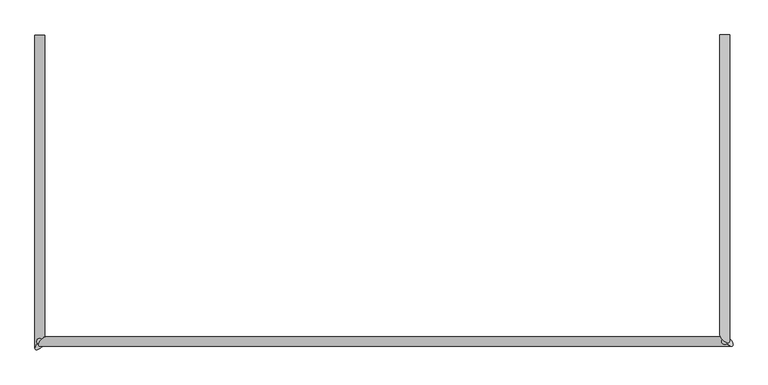
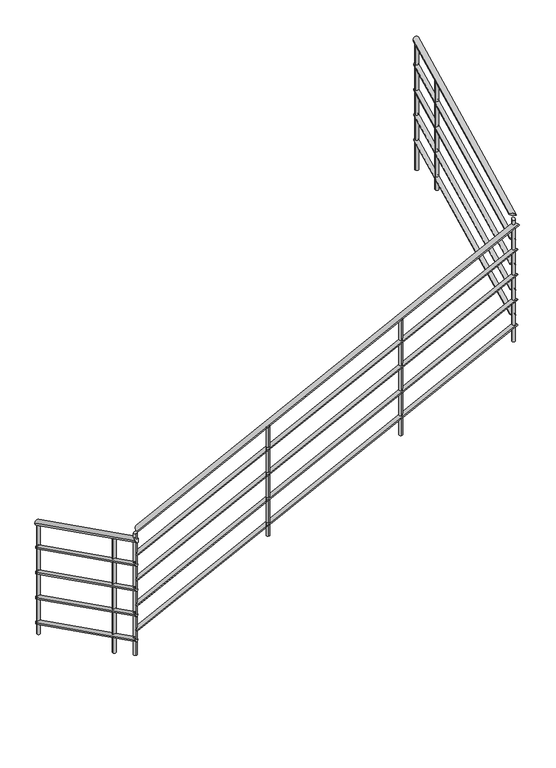
"""IFC4 building model written with IfcOpenShell, lengths in millimetres: railing geometry."""

from ifc_helpers import new_model, si_unit, frame, origin, place, context, project, spatial, circle_curve, ellipse_curve, source, transform, mapped, element, save
from ifc_brep_helpers import plane_surface, cylinder_surface, advanced_brep


def railing_a6b7f505(model_context):
    return source(origin(), model_context, "Body", "AdvancedBrep", [
        advanced_brep(
        [(-9230.7140335, -3789.9211093, -1972.3606798), (-9270.7140335, -3789.9211093, -1972.3606798), (-9230.7140335, -5066.4948959, -1334.0737865), (-9270.7140335, -5093.1615625, -1320.7404532)],
        [
            (0, 1, ellipse_curve(frame((-9250.7140335, -3789.9211093, -1972.3606798), z_axis=(0.0, 1.0, 0.0), x_axis=(0.0, 0.0, -1.0)), 22.3606798, 20.0)),
            (1, 0, ellipse_curve(frame((-9250.7140335, -3789.9211093, -1972.3606798), z_axis=(0.0, 1.0, 0.0), x_axis=(0.0, 0.0, -1.0)), 22.3606798, 20.0)),
            (2, 3, ellipse_curve(frame((-9250.7140335, -5079.8282292, -1327.4071198), z_axis=(0.5773502691896244, -0.5773502691896273, 0.5773502691896256), x_axis=(0.7071067811865491, 0.7071067811865458, 0.0)), 25.819889, 20.0)),
            (3, 2, ellipse_curve(frame((-9250.7140335, -5079.8282292, -1327.4071198), z_axis=(0.5773502691896244, -0.5773502691896273, 0.5773502691896256), x_axis=(0.7071067811865491, 0.7071067811865458, 0.0)), 25.819889, 20.0)),
            (0, 2),
            (3, 1),
        ],
        [
            plane_surface(frame((-9250.7140335, -3789.9211093, -1950.0), z_axis=(0.0, 1.0, 0.0), x_axis=(0.0, 0.0, -1.0))),
            plane_surface(frame((-9250.7140335, -5064.9211093, -1312.5), z_axis=(0.5773502691896244, -0.5773502691896273, 0.5773502691896256), x_axis=(0.816496580927727, 0.4082482904638627, -0.4082482904638615))),
            cylinder_surface(frame((-9250.7140335, -3798.8653813, -1967.8885438), z_axis=(0.0, 0.894427190999916, -0.447213595499958), x_axis=(-1.0, 0.0, 0.0)), 20.0),
        ],
        [
            (0, [[1, 2]]),
            (1, [[3, 4]]),
            (2, [[-1, 5, -4, 6]]),
            (2, [[-2, -6, -3, -5]]),
        ],
    ),
        advanced_brep(
        [(-9222.4735803, -5044.9211093, -1245.7404532), (-9249.140247, -5084.9211093, -1259.0737865), (-6399.140247, -5044.9211093, 165.9262135), (-6372.4735803, -5084.9211093, 179.2595468)],
        [
            (0, 1, ellipse_curve(frame((-9235.8069137, -5064.9211093, -1252.4071198), z_axis=(-0.5773502691896244, 0.5773502691896273, -0.5773502691896256), x_axis=(-0.7071067811865492, -0.7071067811865457, 0.0)), 25.819889, 20.0)),
            (1, 0, ellipse_curve(frame((-9235.8069137, -5064.9211093, -1252.4071198), z_axis=(-0.5773502691896244, 0.5773502691896273, -0.5773502691896256), x_axis=(-0.7071067811865492, -0.7071067811865457, 0.0)), 25.819889, 20.0)),
            (2, 3, ellipse_curve(frame((-6385.8069137, -5064.9211093, 172.5928802), z_axis=(0.577350269189627, 0.5773502691896242, 0.5773502691896263), x_axis=(-0.7071067811865458, 0.7071067811865493, 0.0)), 25.819889, 20.0)),
            (3, 2, ellipse_curve(frame((-6385.8069137, -5064.9211093, 172.5928802), z_axis=(0.577350269189627, 0.5773502691896242, 0.5773502691896263), x_axis=(-0.7071067811865458, 0.7071067811865493, 0.0)), 25.819889, 20.0)),
            (0, 2),
            (3, 1),
        ],
        [
            plane_surface(frame((-9250.7140335, -5064.9211093, -1237.5), z_axis=(-0.5773502691896244, 0.5773502691896273, -0.5773502691896256), x_axis=(0.816496580927727, 0.4082482904638627, -0.4082482904638615))),
            plane_surface(frame((-6400.7140335, -5064.9211093, 187.5), z_axis=(0.577350269189627, 0.5773502691896242, 0.5773502691896263), x_axis=(0.8164965809277253, -0.40824829046386313, -0.4082482904638646))),
            cylinder_surface(frame((-9241.7697616, -5064.9211093, -1255.3885438), z_axis=(-0.8944271909999159, 0.0, -0.4472135954999581), x_axis=(0.0, -1.0, 0.0)), 20.0),
        ],
        [
            (0, [[1, 2]]),
            (1, [[3, 4]]),
            (2, [[-1, 5, -4, 6]]),
            (2, [[-2, -6, -3, -5]]),
        ],
    ),
        advanced_brep(
        [(-6420.7140335, -5036.6806562, 254.2595468), (-6380.7140335, -5063.3473228, 240.9262135), (-6420.7140335, -3789.9211093, 877.6393202), (-6380.7140335, -3789.9211093, 877.6393202)],
        [
            (0, 1, ellipse_curve(frame((-6400.7140335, -5050.0139895, 247.5928801), z_axis=(-0.577350269189627, -0.5773502691896242, -0.5773502691896263), x_axis=(0.7071067811865461, -0.7071067811865491, 0.0)), 25.819889, 20.0)),
            (1, 0, ellipse_curve(frame((-6400.7140335, -5050.0139895, 247.5928801), z_axis=(-0.577350269189627, -0.5773502691896242, -0.5773502691896263), x_axis=(0.7071067811865461, -0.7071067811865491, 0.0)), 25.819889, 20.0)),
            (2, 3, ellipse_curve(frame((-6400.7140335, -3789.9211093, 877.6393202), z_axis=(0.0, 1.0, 0.0), x_axis=(0.0, 0.0, -1.0)), 22.3606798, 20.0)),
            (3, 2, ellipse_curve(frame((-6400.7140335, -3789.9211093, 877.6393202), z_axis=(0.0, 1.0, 0.0), x_axis=(0.0, 0.0, -1.0)), 22.3606798, 20.0)),
            (0, 2),
            (3, 1),
        ],
        [
            plane_surface(frame((-6400.7140335, -5064.9211093, 262.5), z_axis=(-0.577350269189627, -0.5773502691896242, -0.5773502691896263), x_axis=(0.8164965809277253, -0.40824829046386313, -0.4082482904638646))),
            plane_surface(frame((-6400.7140335, -3789.9211093, 900.0), z_axis=(0.0, 1.0, 0.0), x_axis=(0.0, 0.0, 1.0))),
            cylinder_surface(frame((-6400.7140335, -5055.9768374, 244.6114562), z_axis=(0.0, -0.8944271909999157, -0.44721359549995826), x_axis=(1.0, 0.0, 0.0)), 20.0),
        ],
        [
            (0, [[1, 2]]),
            (1, [[3, 4]]),
            (2, [[-1, 5, -4, 6]]),
            (2, [[-2, -6, -3, -5]]),
        ],
    ),
        advanced_brep(
        [(-9235.7140335, -3789.9211093, -2166.7705098), (-9265.7140335, -3789.9211093, -2166.7705098), (-9235.7140335, -5066.1014492, -1528.6803399), (-9265.7140335, -5086.1014492, -1518.6803399)],
        [
            (0, 1, ellipse_curve(frame((-9250.7140335, -3789.9211093, -2166.7705098), z_axis=(0.0, 1.0, 0.0), x_axis=(0.0, 0.0, -1.0)), 16.7705098, 15.0)),
            (1, 0, ellipse_curve(frame((-9250.7140335, -3789.9211093, -2166.7705098), z_axis=(0.0, 1.0, 0.0), x_axis=(0.0, 0.0, -1.0)), 16.7705098, 15.0)),
            (2, 3, ellipse_curve(frame((-9250.7140335, -5076.1014492, -1523.6803399), z_axis=(0.5773502691896244, -0.5773502691896273, 0.5773502691896256), x_axis=(0.7071067811865491, 0.7071067811865458, 0.0)), 19.3649167, 15.0)),
            (3, 2, ellipse_curve(frame((-9250.7140335, -5076.1014492, -1523.6803399), z_axis=(0.5773502691896244, -0.5773502691896273, 0.5773502691896256), x_axis=(0.7071067811865491, 0.7071067811865458, 0.0)), 19.3649167, 15.0)),
            (0, 2),
            (3, 1),
        ],
        [
            plane_surface(frame((-9250.7140335, -3789.9211093, -2150.0), z_axis=(0.0, 1.0, 0.0), x_axis=(0.0, 0.0, -1.0))),
            plane_surface(frame((-9250.7140335, -5064.9211093, -1512.5), z_axis=(0.5773502691896244, -0.5773502691896273, 0.5773502691896256), x_axis=(0.816496580927727, 0.4082482904638627, -0.4082482904638615))),
            cylinder_surface(frame((-9250.7140335, -3796.6293133, -2163.4164079), z_axis=(0.0, 0.894427190999916, -0.447213595499958), x_axis=(-1.0, 0.0, 0.0)), 15.0),
        ],
        [
            (0, [[1, 2]]),
            (1, [[3, 4]]),
            (2, [[-1, 5, -4, 6]]),
            (2, [[-2, -6, -3, -5]]),
        ],
    ),
        advanced_brep(
        [(-9229.5336936, -5049.9211093, -1443.6803399), (-9249.5336936, -5079.9211093, -1453.6803399), (-6399.5336936, -5049.9211093, -28.6803399), (-6379.5336936, -5079.9211093, -18.6803399)],
        [
            (0, 1, ellipse_curve(frame((-9239.5336936, -5064.9211093, -1448.6803399), z_axis=(-0.5773502691896244, 0.5773502691896273, -0.5773502691896256), x_axis=(-0.7071067811865492, -0.7071067811865457, 0.0)), 19.3649167, 15.0)),
            (1, 0, ellipse_curve(frame((-9239.5336936, -5064.9211093, -1448.6803399), z_axis=(-0.5773502691896244, 0.5773502691896273, -0.5773502691896256), x_axis=(-0.7071067811865492, -0.7071067811865457, 0.0)), 19.3649167, 15.0)),
            (2, 3, ellipse_curve(frame((-6389.5336936, -5064.9211093, -23.6803399), z_axis=(0.577350269189627, 0.5773502691896242, 0.5773502691896263), x_axis=(-0.7071067811865458, 0.7071067811865493, 0.0)), 19.3649167, 15.0)),
            (3, 2, ellipse_curve(frame((-6389.5336936, -5064.9211093, -23.6803399), z_axis=(0.577350269189627, 0.5773502691896242, 0.5773502691896263), x_axis=(-0.7071067811865458, 0.7071067811865493, 0.0)), 19.3649167, 15.0)),
            (0, 2),
            (3, 1),
        ],
        [
            plane_surface(frame((-9250.7140335, -5064.9211093, -1437.5), z_axis=(-0.5773502691896244, 0.5773502691896273, -0.5773502691896256), x_axis=(0.816496580927727, 0.4082482904638627, -0.4082482904638615))),
            plane_surface(frame((-6400.7140335, -5064.9211093, -12.5), z_axis=(0.577350269189627, 0.5773502691896242, 0.5773502691896263), x_axis=(0.8164965809277253, -0.40824829046386313, -0.4082482904638646))),
            cylinder_surface(frame((-9244.0058296, -5064.9211093, -1450.9164079), z_axis=(-0.8944271909999159, 0.0, -0.4472135954999581), x_axis=(0.0, -1.0, 0.0)), 15.0),
        ],
        [
            (0, [[1, 2]]),
            (1, [[3, 4]]),
            (2, [[-1, 5, -4, 6]]),
            (2, [[-2, -6, -3, -5]]),
        ],
    ),
        advanced_brep(
        [(-6415.7140335, -5043.7407695, 56.3196601), (-6385.7140335, -5063.7407695, 46.3196601), (-6415.7140335, -3789.9211093, 683.2294902), (-6385.7140335, -3789.9211093, 683.2294902)],
        [
            (0, 1, ellipse_curve(frame((-6400.7140335, -5053.7407695, 51.3196601), z_axis=(-0.577350269189627, -0.5773502691896242, -0.5773502691896263), x_axis=(0.7071067811865461, -0.7071067811865491, 0.0)), 19.3649167, 15.0)),
            (1, 0, ellipse_curve(frame((-6400.7140335, -5053.7407695, 51.3196601), z_axis=(-0.577350269189627, -0.5773502691896242, -0.5773502691896263), x_axis=(0.7071067811865461, -0.7071067811865491, 0.0)), 19.3649167, 15.0)),
            (2, 3, ellipse_curve(frame((-6400.7140335, -3789.9211093, 683.2294902), z_axis=(0.0, 1.0, 0.0), x_axis=(0.0, 0.0, -1.0)), 16.7705098, 15.0)),
            (3, 2, ellipse_curve(frame((-6400.7140335, -3789.9211093, 683.2294902), z_axis=(0.0, 1.0, 0.0), x_axis=(0.0, 0.0, -1.0)), 16.7705098, 15.0)),
            (0, 2),
            (3, 1),
        ],
        [
            plane_surface(frame((-6400.7140335, -5064.9211093, 62.5), z_axis=(-0.577350269189627, -0.5773502691896242, -0.5773502691896263), x_axis=(0.8164965809277253, -0.40824829046386313, -0.4082482904638646))),
            plane_surface(frame((-6400.7140335, -3789.9211093, 700.0), z_axis=(0.0, 1.0, 0.0), x_axis=(0.0, 0.0, 1.0))),
            cylinder_surface(frame((-6400.7140335, -5058.2129054, 49.0835921), z_axis=(0.0, -0.8944271909999157, -0.44721359549995826), x_axis=(1.0, 0.0, 0.0)), 15.0),
        ],
        [
            (0, [[1, 2]]),
            (1, [[3, 4]]),
            (2, [[-1, 5, -4, 6]]),
            (2, [[-2, -6, -3, -5]]),
        ],
    ),
        advanced_brep(
        [(-9235.7140335, -3789.9211093, -2366.7705098), (-9265.7140335, -3789.9211093, -2366.7705098), (-9235.7140335, -5066.1014492, -1728.6803399), (-9265.7140335, -5086.1014492, -1718.6803399)],
        [
            (0, 1, ellipse_curve(frame((-9250.7140335, -3789.9211093, -2366.7705098), z_axis=(0.0, 1.0, 0.0), x_axis=(0.0, 0.0, -1.0)), 16.7705098, 15.0)),
            (1, 0, ellipse_curve(frame((-9250.7140335, -3789.9211093, -2366.7705098), z_axis=(0.0, 1.0, 0.0), x_axis=(0.0, 0.0, -1.0)), 16.7705098, 15.0)),
            (2, 3, ellipse_curve(frame((-9250.7140335, -5076.1014492, -1723.6803399), z_axis=(0.5773502691896244, -0.5773502691896273, 0.5773502691896256), x_axis=(0.7071067811865491, 0.7071067811865458, 0.0)), 19.3649167, 15.0)),
            (3, 2, ellipse_curve(frame((-9250.7140335, -5076.1014492, -1723.6803399), z_axis=(0.5773502691896244, -0.5773502691896273, 0.5773502691896256), x_axis=(0.7071067811865491, 0.7071067811865458, 0.0)), 19.3649167, 15.0)),
            (0, 2),
            (3, 1),
        ],
        [
            plane_surface(frame((-9250.7140335, -3789.9211093, -2350.0), z_axis=(0.0, 1.0, 0.0), x_axis=(0.0, 0.0, -1.0))),
            plane_surface(frame((-9250.7140335, -5064.9211093, -1712.5), z_axis=(0.5773502691896244, -0.5773502691896273, 0.5773502691896256), x_axis=(0.816496580927727, 0.4082482904638627, -0.4082482904638615))),
            cylinder_surface(frame((-9250.7140335, -3796.6293133, -2363.4164079), z_axis=(0.0, 0.894427190999916, -0.447213595499958), x_axis=(-1.0, 0.0, 0.0)), 15.0),
        ],
        [
            (0, [[1, 2]]),
            (1, [[3, 4]]),
            (2, [[-1, 5, -4, 6]]),
            (2, [[-2, -6, -3, -5]]),
        ],
    ),
        advanced_brep(
        [(-9229.5336936, -5049.9211093, -1643.6803399), (-9249.5336936, -5079.9211093, -1653.6803399), (-6399.5336936, -5049.9211093, -228.6803399), (-6379.5336936, -5079.9211093, -218.6803399)],
        [
            (0, 1, ellipse_curve(frame((-9239.5336936, -5064.9211093, -1648.6803399), z_axis=(-0.5773502691896244, 0.5773502691896273, -0.5773502691896256), x_axis=(-0.7071067811865492, -0.7071067811865457, 0.0)), 19.3649167, 15.0)),
            (1, 0, ellipse_curve(frame((-9239.5336936, -5064.9211093, -1648.6803399), z_axis=(-0.5773502691896244, 0.5773502691896273, -0.5773502691896256), x_axis=(-0.7071067811865492, -0.7071067811865457, 0.0)), 19.3649167, 15.0)),
            (2, 3, ellipse_curve(frame((-6389.5336936, -5064.9211093, -223.6803399), z_axis=(0.577350269189627, 0.5773502691896242, 0.5773502691896263), x_axis=(-0.7071067811865458, 0.7071067811865493, 0.0)), 19.3649167, 15.0)),
            (3, 2, ellipse_curve(frame((-6389.5336936, -5064.9211093, -223.6803399), z_axis=(0.577350269189627, 0.5773502691896242, 0.5773502691896263), x_axis=(-0.7071067811865458, 0.7071067811865493, 0.0)), 19.3649167, 15.0)),
            (0, 2),
            (3, 1),
        ],
        [
            plane_surface(frame((-9250.7140335, -5064.9211093, -1637.5), z_axis=(-0.5773502691896244, 0.5773502691896273, -0.5773502691896256), x_axis=(0.816496580927727, 0.4082482904638627, -0.4082482904638615))),
            plane_surface(frame((-6400.7140335, -5064.9211093, -212.5), z_axis=(0.577350269189627, 0.5773502691896242, 0.5773502691896263), x_axis=(0.8164965809277253, -0.40824829046386313, -0.4082482904638646))),
            cylinder_surface(frame((-9244.0058296, -5064.9211093, -1650.9164079), z_axis=(-0.8944271909999159, 0.0, -0.4472135954999581), x_axis=(0.0, -1.0, 0.0)), 15.0),
        ],
        [
            (0, [[1, 2]]),
            (1, [[3, 4]]),
            (2, [[-1, 5, -4, 6]]),
            (2, [[-2, -6, -3, -5]]),
        ],
    ),
        advanced_brep(
        [(-6415.7140335, -5043.7407695, -143.6803399), (-6385.7140335, -5063.7407695, -153.6803399), (-6415.7140335, -3789.9211093, 483.2294902), (-6385.7140335, -3789.9211093, 483.2294902)],
        [
            (0, 1, ellipse_curve(frame((-6400.7140335, -5053.7407695, -148.6803399), z_axis=(-0.577350269189627, -0.5773502691896242, -0.5773502691896263), x_axis=(0.7071067811865461, -0.7071067811865491, 0.0)), 19.3649167, 15.0)),
            (1, 0, ellipse_curve(frame((-6400.7140335, -5053.7407695, -148.6803399), z_axis=(-0.577350269189627, -0.5773502691896242, -0.5773502691896263), x_axis=(0.7071067811865461, -0.7071067811865491, 0.0)), 19.3649167, 15.0)),
            (2, 3, ellipse_curve(frame((-6400.7140335, -3789.9211093, 483.2294902), z_axis=(0.0, 1.0, 0.0), x_axis=(0.0, 0.0, -1.0)), 16.7705098, 15.0)),
            (3, 2, ellipse_curve(frame((-6400.7140335, -3789.9211093, 483.2294902), z_axis=(0.0, 1.0, 0.0), x_axis=(0.0, 0.0, -1.0)), 16.7705098, 15.0)),
            (0, 2),
            (3, 1),
        ],
        [
            plane_surface(frame((-6400.7140335, -5064.9211093, -137.5), z_axis=(-0.577350269189627, -0.5773502691896242, -0.5773502691896263), x_axis=(0.8164965809277253, -0.40824829046386313, -0.4082482904638646))),
            plane_surface(frame((-6400.7140335, -3789.9211093, 500.0), z_axis=(0.0, 1.0, 0.0), x_axis=(0.0, 0.0, 1.0))),
            cylinder_surface(frame((-6400.7140335, -5058.2129054, -150.9164079), z_axis=(0.0, -0.8944271909999157, -0.44721359549995826), x_axis=(1.0, 0.0, 0.0)), 15.0),
        ],
        [
            (0, [[1, 2]]),
            (1, [[3, 4]]),
            (2, [[-1, 5, -4, 6]]),
            (2, [[-2, -6, -3, -5]]),
        ],
    ),
        advanced_brep(
        [(-9235.7140335, -3789.9211093, -2566.7705098), (-9265.7140335, -3789.9211093, -2566.7705098), (-9235.7140335, -5066.1014492, -1928.6803399), (-9265.7140335, -5086.1014492, -1918.6803399)],
        [
            (0, 1, ellipse_curve(frame((-9250.7140335, -3789.9211093, -2566.7705098), z_axis=(0.0, 1.0, 0.0), x_axis=(0.0, 0.0, -1.0)), 16.7705098, 15.0)),
            (1, 0, ellipse_curve(frame((-9250.7140335, -3789.9211093, -2566.7705098), z_axis=(0.0, 1.0, 0.0), x_axis=(0.0, 0.0, -1.0)), 16.7705098, 15.0)),
            (2, 3, ellipse_curve(frame((-9250.7140335, -5076.1014492, -1923.6803399), z_axis=(0.5773502691896244, -0.5773502691896273, 0.5773502691896256), x_axis=(0.7071067811865491, 0.7071067811865458, 0.0)), 19.3649167, 15.0)),
            (3, 2, ellipse_curve(frame((-9250.7140335, -5076.1014492, -1923.6803399), z_axis=(0.5773502691896244, -0.5773502691896273, 0.5773502691896256), x_axis=(0.7071067811865491, 0.7071067811865458, 0.0)), 19.3649167, 15.0)),
            (0, 2),
            (3, 1),
        ],
        [
            plane_surface(frame((-9250.7140335, -3789.9211093, -2550.0), z_axis=(0.0, 1.0, 0.0), x_axis=(0.0, 0.0, -1.0))),
            plane_surface(frame((-9250.7140335, -5064.9211093, -1912.5), z_axis=(0.5773502691896244, -0.5773502691896273, 0.5773502691896256), x_axis=(0.816496580927727, 0.4082482904638627, -0.4082482904638615))),
            cylinder_surface(frame((-9250.7140335, -3796.6293133, -2563.4164079), z_axis=(0.0, 0.894427190999916, -0.447213595499958), x_axis=(-1.0, 0.0, 0.0)), 15.0),
        ],
        [
            (0, [[1, 2]]),
            (1, [[3, 4]]),
            (2, [[-1, 5, -4, 6]]),
            (2, [[-2, -6, -3, -5]]),
        ],
    ),
        advanced_brep(
        [(-9229.5336936, -5049.9211093, -1843.6803399), (-9249.5336936, -5079.9211093, -1853.6803399), (-6399.5336936, -5049.9211093, -428.6803399), (-6379.5336936, -5079.9211093, -418.6803399)],
        [
            (0, 1, ellipse_curve(frame((-9239.5336936, -5064.9211093, -1848.6803399), z_axis=(-0.5773502691896244, 0.5773502691896273, -0.5773502691896256), x_axis=(-0.7071067811865492, -0.7071067811865457, 0.0)), 19.3649167, 15.0)),
            (1, 0, ellipse_curve(frame((-9239.5336936, -5064.9211093, -1848.6803399), z_axis=(-0.5773502691896244, 0.5773502691896273, -0.5773502691896256), x_axis=(-0.7071067811865492, -0.7071067811865457, 0.0)), 19.3649167, 15.0)),
            (2, 3, ellipse_curve(frame((-6389.5336936, -5064.9211093, -423.6803399), z_axis=(0.577350269189627, 0.5773502691896242, 0.5773502691896263), x_axis=(-0.7071067811865458, 0.7071067811865493, 0.0)), 19.3649167, 15.0)),
            (3, 2, ellipse_curve(frame((-6389.5336936, -5064.9211093, -423.6803399), z_axis=(0.577350269189627, 0.5773502691896242, 0.5773502691896263), x_axis=(-0.7071067811865458, 0.7071067811865493, 0.0)), 19.3649167, 15.0)),
            (0, 2),
            (3, 1),
        ],
        [
            plane_surface(frame((-9250.7140335, -5064.9211093, -1837.5), z_axis=(-0.5773502691896244, 0.5773502691896273, -0.5773502691896256), x_axis=(0.816496580927727, 0.4082482904638627, -0.4082482904638615))),
            plane_surface(frame((-6400.7140335, -5064.9211093, -412.5), z_axis=(0.577350269189627, 0.5773502691896242, 0.5773502691896263), x_axis=(0.8164965809277253, -0.40824829046386313, -0.4082482904638646))),
            cylinder_surface(frame((-9244.0058296, -5064.9211093, -1850.9164079), z_axis=(-0.8944271909999159, 0.0, -0.4472135954999581), x_axis=(0.0, -1.0, 0.0)), 15.0),
        ],
        [
            (0, [[1, 2]]),
            (1, [[3, 4]]),
            (2, [[-1, 5, -4, 6]]),
            (2, [[-2, -6, -3, -5]]),
        ],
    ),
        advanced_brep(
        [(-6415.7140335, -5043.7407695, -343.6803399), (-6385.7140335, -5063.7407695, -353.6803399), (-6415.7140335, -3789.9211093, 283.2294902), (-6385.7140335, -3789.9211093, 283.2294902)],
        [
            (0, 1, ellipse_curve(frame((-6400.7140335, -5053.7407695, -348.6803399), z_axis=(-0.577350269189627, -0.5773502691896242, -0.5773502691896263), x_axis=(0.7071067811865461, -0.7071067811865491, 0.0)), 19.3649167, 15.0)),
            (1, 0, ellipse_curve(frame((-6400.7140335, -5053.7407695, -348.6803399), z_axis=(-0.577350269189627, -0.5773502691896242, -0.5773502691896263), x_axis=(0.7071067811865461, -0.7071067811865491, 0.0)), 19.3649167, 15.0)),
            (2, 3, ellipse_curve(frame((-6400.7140335, -3789.9211093, 283.2294902), z_axis=(0.0, 1.0, 0.0), x_axis=(0.0, 0.0, -1.0)), 16.7705098, 15.0)),
            (3, 2, ellipse_curve(frame((-6400.7140335, -3789.9211093, 283.2294902), z_axis=(0.0, 1.0, 0.0), x_axis=(0.0, 0.0, -1.0)), 16.7705098, 15.0)),
            (0, 2),
            (3, 1),
        ],
        [
            plane_surface(frame((-6400.7140335, -5064.9211093, -337.5), z_axis=(-0.577350269189627, -0.5773502691896242, -0.5773502691896263), x_axis=(0.8164965809277253, -0.40824829046386313, -0.4082482904638646))),
            plane_surface(frame((-6400.7140335, -3789.9211093, 300.0), z_axis=(0.0, 1.0, 0.0), x_axis=(0.0, 0.0, 1.0))),
            cylinder_surface(frame((-6400.7140335, -5058.2129054, -350.9164079), z_axis=(0.0, -0.8944271909999157, -0.44721359549995826), x_axis=(1.0, 0.0, 0.0)), 15.0),
        ],
        [
            (0, [[1, 2]]),
            (1, [[3, 4]]),
            (2, [[-1, 5, -4, 6]]),
            (2, [[-2, -6, -3, -5]]),
        ],
    ),
        advanced_brep(
        [(-9235.7140335, -3789.9211093, -2766.7705098), (-9265.7140335, -3789.9211093, -2766.7705098), (-9235.7140335, -5066.1014492, -2128.6803399), (-9265.7140335, -5086.1014492, -2118.6803399)],
        [
            (0, 1, ellipse_curve(frame((-9250.7140335, -3789.9211093, -2766.7705098), z_axis=(0.0, 1.0, 0.0), x_axis=(0.0, 0.0, -1.0)), 16.7705098, 15.0)),
            (1, 0, ellipse_curve(frame((-9250.7140335, -3789.9211093, -2766.7705098), z_axis=(0.0, 1.0, 0.0), x_axis=(0.0, 0.0, -1.0)), 16.7705098, 15.0)),
            (2, 3, ellipse_curve(frame((-9250.7140335, -5076.1014492, -2123.6803399), z_axis=(0.5773502691896244, -0.5773502691896273, 0.5773502691896256), x_axis=(0.7071067811865491, 0.7071067811865458, 0.0)), 19.3649167, 15.0)),
            (3, 2, ellipse_curve(frame((-9250.7140335, -5076.1014492, -2123.6803399), z_axis=(0.5773502691896244, -0.5773502691896273, 0.5773502691896256), x_axis=(0.7071067811865491, 0.7071067811865458, 0.0)), 19.3649167, 15.0)),
            (0, 2),
            (3, 1),
        ],
        [
            plane_surface(frame((-9250.7140335, -3789.9211093, -2750.0), z_axis=(0.0, 1.0, 0.0), x_axis=(0.0, 0.0, -1.0))),
            plane_surface(frame((-9250.7140335, -5064.9211093, -2112.5), z_axis=(0.5773502691896244, -0.5773502691896273, 0.5773502691896256), x_axis=(0.816496580927727, 0.4082482904638627, -0.4082482904638615))),
            cylinder_surface(frame((-9250.7140335, -3796.6293133, -2763.4164079), z_axis=(0.0, 0.894427190999916, -0.447213595499958), x_axis=(-1.0, 0.0, 0.0)), 15.0),
        ],
        [
            (0, [[1, 2]]),
            (1, [[3, 4]]),
            (2, [[-1, 5, -4, 6]]),
            (2, [[-2, -6, -3, -5]]),
        ],
    ),
        advanced_brep(
        [(-9229.5336936, -5049.9211093, -2043.6803399), (-9249.5336936, -5079.9211093, -2053.6803399), (-6399.5336936, -5049.9211093, -628.6803399), (-6379.5336936, -5079.9211093, -618.6803399)],
        [
            (0, 1, ellipse_curve(frame((-9239.5336936, -5064.9211093, -2048.6803399), z_axis=(-0.5773502691896244, 0.5773502691896273, -0.5773502691896256), x_axis=(-0.7071067811865492, -0.7071067811865457, 0.0)), 19.3649167, 15.0)),
            (1, 0, ellipse_curve(frame((-9239.5336936, -5064.9211093, -2048.6803399), z_axis=(-0.5773502691896244, 0.5773502691896273, -0.5773502691896256), x_axis=(-0.7071067811865492, -0.7071067811865457, 0.0)), 19.3649167, 15.0)),
            (2, 3, ellipse_curve(frame((-6389.5336936, -5064.9211093, -623.6803399), z_axis=(0.577350269189627, 0.5773502691896242, 0.5773502691896263), x_axis=(-0.7071067811865458, 0.7071067811865493, 0.0)), 19.3649167, 15.0)),
            (3, 2, ellipse_curve(frame((-6389.5336936, -5064.9211093, -623.6803399), z_axis=(0.577350269189627, 0.5773502691896242, 0.5773502691896263), x_axis=(-0.7071067811865458, 0.7071067811865493, 0.0)), 19.3649167, 15.0)),
            (0, 2),
            (3, 1),
        ],
        [
            plane_surface(frame((-9250.7140335, -5064.9211093, -2037.5), z_axis=(-0.5773502691896244, 0.5773502691896273, -0.5773502691896256), x_axis=(0.816496580927727, 0.4082482904638627, -0.4082482904638615))),
            plane_surface(frame((-6400.7140335, -5064.9211093, -612.5), z_axis=(0.577350269189627, 0.5773502691896242, 0.5773502691896263), x_axis=(0.8164965809277253, -0.40824829046386313, -0.4082482904638646))),
            cylinder_surface(frame((-9244.0058296, -5064.9211093, -2050.9164079), z_axis=(-0.8944271909999159, 0.0, -0.4472135954999581), x_axis=(0.0, -1.0, 0.0)), 15.0),
        ],
        [
            (0, [[1, 2]]),
            (1, [[3, 4]]),
            (2, [[-1, 5, -4, 6]]),
            (2, [[-2, -6, -3, -5]]),
        ],
    ),
        advanced_brep(
        [(-6415.7140335, -5043.7407695, -543.6803399), (-6385.7140335, -5063.7407695, -553.6803399), (-6415.7140335, -3789.9211093, 83.2294902), (-6385.7140335, -3789.9211093, 83.2294902)],
        [
            (0, 1, ellipse_curve(frame((-6400.7140335, -5053.7407695, -548.6803399), z_axis=(-0.577350269189627, -0.5773502691896242, -0.5773502691896263), x_axis=(0.7071067811865461, -0.7071067811865491, 0.0)), 19.3649167, 15.0)),
            (1, 0, ellipse_curve(frame((-6400.7140335, -5053.7407695, -548.6803399), z_axis=(-0.577350269189627, -0.5773502691896242, -0.5773502691896263), x_axis=(0.7071067811865461, -0.7071067811865491, 0.0)), 19.3649167, 15.0)),
            (2, 3, ellipse_curve(frame((-6400.7140335, -3789.9211093, 83.2294902), z_axis=(0.0, 1.0, 0.0), x_axis=(0.0, 0.0, -1.0)), 16.7705098, 15.0)),
            (3, 2, ellipse_curve(frame((-6400.7140335, -3789.9211093, 83.2294902), z_axis=(0.0, 1.0, 0.0), x_axis=(0.0, 0.0, -1.0)), 16.7705098, 15.0)),
            (0, 2),
            (3, 1),
        ],
        [
            plane_surface(frame((-6400.7140335, -5064.9211093, -537.5), z_axis=(-0.577350269189627, -0.5773502691896242, -0.5773502691896263), x_axis=(0.8164965809277253, -0.40824829046386313, -0.4082482904638646))),
            plane_surface(frame((-6400.7140335, -3789.9211093, 100.0), z_axis=(0.0, 1.0, 0.0), x_axis=(0.0, 0.0, 1.0))),
            cylinder_surface(frame((-6400.7140335, -5058.2129054, -550.9164079), z_axis=(0.0, -0.8944271909999157, -0.44721359549995826), x_axis=(1.0, 0.0, 0.0)), 15.0),
        ],
        [
            (0, [[1, 2]]),
            (1, [[3, 4]]),
            (2, [[-1, 5, -4, 6]]),
            (2, [[-2, -6, -3, -5]]),
        ],
    ),
        advanced_brep(
        [(-6388.2140335, -4064.9211093, 717.7786405), (-6388.2140335, -4064.9211093, -150.0), (-6413.2140335, -4064.9211093, -150.0), (-6413.2140335, -4064.9211093, 717.7786405)],
        [
            (0, 1),
            (1, 2, circle_curve(frame((-6400.7140335, -4064.9211093, -150.0), z_axis=(0.0, 0.0, 1.0), x_axis=(-1.0, 0.0, 0.0)), 12.5)),
            (2, 3),
            (3, 0, ellipse_curve(frame((-6400.7140335, -4064.9211093, 717.7786405), z_axis=(0.0, 0.447213595499958, -0.894427190999916), x_axis=(0.0, 0.8944271909999161, 0.4472135954999576)), 13.9754249, 12.5)),
            (0, 3, ellipse_curve(frame((-6400.7140335, -4064.9211093, 717.7786405), z_axis=(0.0, 0.447213595499958, -0.894427190999916), x_axis=(0.0, 0.8944271909999161, 0.4472135954999576)), 13.9754249, 12.5)),
            (2, 1, circle_curve(frame((-6400.7140335, -4064.9211093, -150.0), z_axis=(0.0, 0.0, 1.0), x_axis=(-1.0, 0.0, 0.0)), 12.5)),
        ],
        [
            cylinder_surface(frame((-6400.7140335, -4064.9211093, -250.0), z_axis=(0.0, 0.0, 1.0), x_axis=(-1.0, 0.0, 0.0)), 12.5),
            plane_surface(frame((-6425.7140335, -4039.9211093, 730.2786405), z_axis=(0.0, -0.447213595499958, 0.894427190999916), x_axis=(1.0, 0.0, 0.0))),
            plane_surface(frame((-6425.7140335, -4089.9211093, -150.0), z_axis=(0.0, 0.0, -1.0), x_axis=(1.0, 0.0, 0.0))),
        ],
        [
            (0, [[1, 2, 3, 4]]),
            (0, [[-1, 5, -3, 6]]),
            (1, [[-4, -5]]),
            (2, [[-2, -6]]),
        ],
    ),
        advanced_brep(
        [(-7250.7140335, -5077.4211093, -282.2213595), (-7250.7140335, -5077.4211093, -1200.0), (-7250.7140335, -5052.4211093, -1200.0), (-7250.7140335, -5052.4211093, -282.2213595)],
        [
            (0, 1),
            (1, 2, circle_curve(frame((-7250.7140335, -5064.9211093, -1200.0), z_axis=(0.0, 0.0, 1.0), x_axis=(0.0, 1.0, 0.0)), 12.5)),
            (2, 3),
            (3, 0, ellipse_curve(frame((-7250.7140335, -5064.9211093, -282.2213595), z_axis=(0.447213595499958, 0.0, -0.894427190999916), x_axis=(0.8944271909999161, 0.0, 0.4472135954999576)), 13.9754249, 12.5)),
            (0, 3, ellipse_curve(frame((-7250.7140335, -5064.9211093, -282.2213595), z_axis=(0.447213595499958, 0.0, -0.894427190999916), x_axis=(0.8944271909999161, 0.0, 0.4472135954999576)), 13.9754249, 12.5)),
            (2, 1, circle_curve(frame((-7250.7140335, -5064.9211093, -1200.0), z_axis=(0.0, 0.0, 1.0), x_axis=(0.0, 1.0, 0.0)), 12.5)),
        ],
        [
            cylinder_surface(frame((-7250.7140335, -5064.9211093, -1300.0), z_axis=(0.0, 0.0, 1.0), x_axis=(0.0, 1.0, 0.0)), 12.5),
            plane_surface(frame((-7225.7140335, -5039.9211093, -269.7213595), z_axis=(-0.447213595499958, 0.0, 0.894427190999916), x_axis=(0.0, -1.0, 0.0))),
            plane_surface(frame((-7275.7140335, -5039.9211093, -1200.0), z_axis=(0.0, 0.0, -1.0), x_axis=(0.0, -1.0, 0.0))),
        ],
        [
            (0, [[1, 2, 3, 4]]),
            (0, [[-1, 5, -3, 6]]),
            (1, [[-4, -5]]),
            (2, [[-2, -6]]),
        ],
    ),
        advanced_brep(
        [(-8250.7140335, -5077.4211093, -782.2213595), (-8250.7140335, -5077.4211093, -1650.0), (-8250.7140335, -5052.4211093, -1650.0), (-8250.7140335, -5052.4211093, -782.2213595)],
        [
            (0, 1),
            (1, 2, circle_curve(frame((-8250.7140335, -5064.9211093, -1650.0), z_axis=(0.0, 0.0, 1.0), x_axis=(0.0, 1.0, 0.0)), 12.5)),
            (2, 3),
            (3, 0, ellipse_curve(frame((-8250.7140335, -5064.9211093, -782.2213595), z_axis=(0.447213595499958, 0.0, -0.894427190999916), x_axis=(0.8944271909999161, 0.0, 0.4472135954999576)), 13.9754249, 12.5)),
            (0, 3, ellipse_curve(frame((-8250.7140335, -5064.9211093, -782.2213595), z_axis=(0.447213595499958, 0.0, -0.894427190999916), x_axis=(0.8944271909999161, 0.0, 0.4472135954999576)), 13.9754249, 12.5)),
            (2, 1, circle_curve(frame((-8250.7140335, -5064.9211093, -1650.0), z_axis=(0.0, 0.0, 1.0), x_axis=(0.0, 1.0, 0.0)), 12.5)),
        ],
        [
            cylinder_surface(frame((-8250.7140335, -5064.9211093, -1750.0), z_axis=(0.0, 0.0, 1.0), x_axis=(0.0, 1.0, 0.0)), 12.5),
            plane_surface(frame((-8225.7140335, -5039.9211093, -769.7213595), z_axis=(-0.447213595499958, 0.0, 0.894427190999916), x_axis=(0.0, -1.0, 0.0))),
            plane_surface(frame((-8275.7140335, -5039.9211093, -1650.0), z_axis=(0.0, 0.0, -1.0), x_axis=(0.0, -1.0, 0.0))),
        ],
        [
            (0, [[1, 2, 3, 4]]),
            (0, [[-1, 5, -3, 6]]),
            (1, [[-4, -5]]),
            (2, [[-2, -6]]),
        ],
    ),
        advanced_brep(
        [(-9263.2140335, -4789.9211093, -1494.7213595), (-9263.2140335, -4789.9211093, -2400.0), (-9238.2140335, -4789.9211093, -2400.0), (-9238.2140335, -4789.9211093, -1494.7213595)],
        [
            (0, 1),
            (1, 2, circle_curve(frame((-9250.7140335, -4789.9211093, -2400.0), z_axis=(0.0, 0.0, 1.0), x_axis=(1.0, 0.0, 0.0)), 12.5)),
            (2, 3),
            (3, 0, ellipse_curve(frame((-9250.7140335, -4789.9211093, -1494.7213595), z_axis=(0.0, -0.44721359549995604, -0.894427190999917), x_axis=(0.0, -0.8944271909999172, 0.4472135954999556)), 13.9754249, 12.5)),
            (0, 3, ellipse_curve(frame((-9250.7140335, -4789.9211093, -1494.7213595), z_axis=(0.0, -0.44721359549995604, -0.894427190999917), x_axis=(0.0, -0.8944271909999172, 0.4472135954999556)), 13.9754249, 12.5)),
            (2, 1, circle_curve(frame((-9250.7140335, -4789.9211093, -2400.0), z_axis=(0.0, 0.0, 1.0), x_axis=(1.0, 0.0, 0.0)), 12.5)),
        ],
        [
            cylinder_surface(frame((-9250.7140335, -4789.9211093, -2500.0), z_axis=(0.0, 0.0, 1.0), x_axis=(1.0, 0.0, 0.0)), 12.5),
            plane_surface(frame((-9225.7140335, -4814.9211093, -1482.2213595), z_axis=(0.0, 0.44721359549995604, 0.894427190999917), x_axis=(-1.0, 0.0, 0.0))),
            plane_surface(frame((-9225.7140335, -4764.9211093, -2400.0), z_axis=(0.0, 0.0, -1.0), x_axis=(-1.0, 0.0, 0.0))),
        ],
        [
            (0, [[1, 2, 3, 4]]),
            (0, [[-1, 5, -3, 6]]),
            (1, [[-4, -5]]),
            (2, [[-2, -6]]),
        ],
    ),
        advanced_brep(
        [(-6388.2140335, -5064.9211093, 217.7786405), (-6388.2140335, -5064.9211093, -750.0), (-6413.2140335, -5064.9211093, -750.0), (-6413.2140335, -5064.9211093, 217.7786405)],
        [
            (0, 1),
            (1, 2, circle_curve(frame((-6400.7140335, -5064.9211093, -750.0), z_axis=(0.0, 0.0, 1.0), x_axis=(-1.0, 0.0, 0.0)), 12.5)),
            (2, 3),
            (3, 0, ellipse_curve(frame((-6400.7140335, -5064.9211093, 217.7786405), z_axis=(0.0, 0.447213595499958, -0.894427190999916), x_axis=(0.0, 0.8944271909999161, 0.4472135954999576)), 13.9754249, 12.5)),
            (0, 3, ellipse_curve(frame((-6400.7140335, -5064.9211093, 217.7786405), z_axis=(0.0, 0.447213595499958, -0.894427190999916), x_axis=(0.0, 0.8944271909999161, 0.4472135954999576)), 13.9754249, 12.5)),
            (2, 1, circle_curve(frame((-6400.7140335, -5064.9211093, -750.0), z_axis=(0.0, 0.0, 1.0), x_axis=(-1.0, 0.0, 0.0)), 12.5)),
        ],
        [
            cylinder_surface(frame((-6400.7140335, -5064.9211093, -850.0), z_axis=(0.0, 0.0, 1.0), x_axis=(-1.0, 0.0, 0.0)), 12.5),
            plane_surface(frame((-6425.7140335, -5039.9211093, 230.2786405), z_axis=(0.0, -0.447213595499958, 0.894427190999916), x_axis=(1.0, 0.0, 0.0))),
            plane_surface(frame((-6425.7140335, -5089.9211093, -750.0), z_axis=(0.0, 0.0, -1.0), x_axis=(1.0, 0.0, 0.0))),
        ],
        [
            (0, [[1, 2, 3, 4]]),
            (0, [[-1, 5, -3, 6]]),
            (1, [[-4, -5]]),
            (2, [[-2, -6]]),
        ],
    ),
        advanced_brep(
        [(-9250.7140335, -5077.4211093, -1282.2213595), (-9250.7140335, -5077.4211093, -2250.0), (-9250.7140335, -5052.4211093, -2250.0), (-9250.7140335, -5052.4211093, -1282.2213595)],
        [
            (0, 1),
            (1, 2, circle_curve(frame((-9250.7140335, -5064.9211093, -2250.0), z_axis=(0.0, 0.0, 1.0), x_axis=(0.0, 1.0, 0.0)), 12.5)),
            (2, 3),
            (3, 0, ellipse_curve(frame((-9250.7140335, -5064.9211093, -1282.2213595), z_axis=(0.447213595499958, 0.0, -0.894427190999916), x_axis=(0.8944271909999161, 0.0, 0.4472135954999576)), 13.9754249, 12.5)),
            (0, 3, ellipse_curve(frame((-9250.7140335, -5064.9211093, -1282.2213595), z_axis=(0.447213595499958, 0.0, -0.894427190999916), x_axis=(0.8944271909999161, 0.0, 0.4472135954999576)), 13.9754249, 12.5)),
            (2, 1, circle_curve(frame((-9250.7140335, -5064.9211093, -2250.0), z_axis=(0.0, 0.0, 1.0), x_axis=(0.0, 1.0, 0.0)), 12.5)),
        ],
        [
            cylinder_surface(frame((-9250.7140335, -5064.9211093, -2350.0), z_axis=(0.0, 0.0, 1.0), x_axis=(0.0, 1.0, 0.0)), 12.5),
            plane_surface(frame((-9225.7140335, -5039.9211093, -1269.7213595), z_axis=(-0.447213595499958, 0.0, 0.894427190999916), x_axis=(0.0, -1.0, 0.0))),
            plane_surface(frame((-9275.7140335, -5039.9211093, -2250.0), z_axis=(0.0, 0.0, -1.0), x_axis=(0.0, -1.0, 0.0))),
        ],
        [
            (0, [[1, 2, 3, 4]]),
            (0, [[-1, 5, -3, 6]]),
            (1, [[-4, -5]]),
            (2, [[-2, -6]]),
        ],
    ),
        advanced_brep(
        [(-6388.2140335, -3802.4211093, 849.0286405), (-6388.2140335, -3802.4211093, -150.0), (-6413.2140335, -3802.4211093, -150.0), (-6413.2140335, -3802.4211093, 849.0286405)],
        [
            (0, 1),
            (1, 2, circle_curve(frame((-6400.7140335, -3802.4211093, -150.0), z_axis=(0.0, 0.0, 1.0), x_axis=(-1.0, 0.0, 0.0)), 12.5)),
            (2, 3),
            (3, 0, ellipse_curve(frame((-6400.7140335, -3802.4211093, 849.0286405), z_axis=(0.0, 0.447213595499958, -0.894427190999916), x_axis=(0.0, 0.8944271909999161, 0.4472135954999576)), 13.9754249, 12.5)),
            (0, 3, ellipse_curve(frame((-6400.7140335, -3802.4211093, 849.0286405), z_axis=(0.0, 0.447213595499958, -0.894427190999916), x_axis=(0.0, 0.8944271909999161, 0.4472135954999576)), 13.9754249, 12.5)),
            (2, 1, circle_curve(frame((-6400.7140335, -3802.4211093, -150.0), z_axis=(0.0, 0.0, 1.0), x_axis=(-1.0, 0.0, 0.0)), 12.5)),
        ],
        [
            cylinder_surface(frame((-6400.7140335, -3802.4211093, -250.0), z_axis=(0.0, 0.0, 1.0), x_axis=(-1.0, 0.0, 0.0)), 12.5),
            plane_surface(frame((-6425.7140335, -3777.4211093, 861.5286405), z_axis=(0.0, -0.447213595499958, 0.894427190999916), x_axis=(1.0, 0.0, 0.0))),
            plane_surface(frame((-6425.7140335, -3827.4211093, -150.0), z_axis=(0.0, 0.0, -1.0), x_axis=(1.0, 0.0, 0.0))),
        ],
        [
            (0, [[1, 2, 3, 4]]),
            (0, [[-1, 5, -3, 6]]),
            (1, [[-4, -5]]),
            (2, [[-2, -6]]),
        ],
    ),
        advanced_brep(
        [(-9263.2140335, -3802.4211093, -1988.4713595), (-9263.2140335, -3802.4211093, -2850.0), (-9238.2140335, -3802.4211093, -2850.0), (-9238.2140335, -3802.4211093, -1988.4713595)],
        [
            (0, 1),
            (1, 2, circle_curve(frame((-9250.7140335, -3802.4211093, -2850.0), z_axis=(0.0, 0.0, 1.0), x_axis=(1.0, 0.0, 0.0)), 12.5)),
            (2, 3),
            (3, 0, ellipse_curve(frame((-9250.7140335, -3802.4211093, -1988.4713595), z_axis=(0.0, -0.44721359549995604, -0.894427190999917), x_axis=(0.0, -0.8944271909999172, 0.4472135954999556)), 13.9754249, 12.5)),
            (0, 3, ellipse_curve(frame((-9250.7140335, -3802.4211093, -1988.4713595), z_axis=(0.0, -0.44721359549995604, -0.894427190999917), x_axis=(0.0, -0.8944271909999172, 0.4472135954999556)), 13.9754249, 12.5)),
            (2, 1, circle_curve(frame((-9250.7140335, -3802.4211093, -2850.0), z_axis=(0.0, 0.0, 1.0), x_axis=(1.0, 0.0, 0.0)), 12.5)),
        ],
        [
            cylinder_surface(frame((-9250.7140335, -3802.4211093, -2950.0), z_axis=(0.0, 0.0, 1.0), x_axis=(1.0, 0.0, 0.0)), 12.5),
            plane_surface(frame((-9225.7140335, -3827.4211093, -1975.9713595), z_axis=(0.0, 0.44721359549995604, 0.894427190999917), x_axis=(-1.0, 0.0, 0.0))),
            plane_surface(frame((-9225.7140335, -3777.4211093, -2850.0), z_axis=(0.0, 0.0, -1.0), x_axis=(-1.0, 0.0, 0.0))),
        ],
        [
            (0, [[1, 2, 3, 4]]),
            (0, [[-1, 5, -3, 6]]),
            (1, [[-4, -5]]),
            (2, [[-2, -6]]),
        ],
    ),
    ])


if __name__ == "__main__":
    model = new_model("IFC4")
    model_context = context("Model", 3, world=origin())
    ifc_project = project(units=[si_unit("LENGTHUNIT", "METRE", prefix="MILLI")], contexts=[model_context])
    site = spatial("IfcSite", under=ifc_project)
    building = spatial("IfcBuilding", under=site)
    placement = place(None, origin())
    railing_shape = railing_a6b7f505(model_context)
    element("IfcRailing", 1, at=placement, inside=building, context=model_context, shape_type="MappedRepresentation", body=[
        mapped(railing_shape, transform((0.0, 0.0, 0.0), x_axis=(1.0, 0.0, 0.0), y_axis=(0.0, 1.0, 0.0), z_axis=(0.0, 0.0, 1.0))),
    ])
    save(model, "model.ifc")
